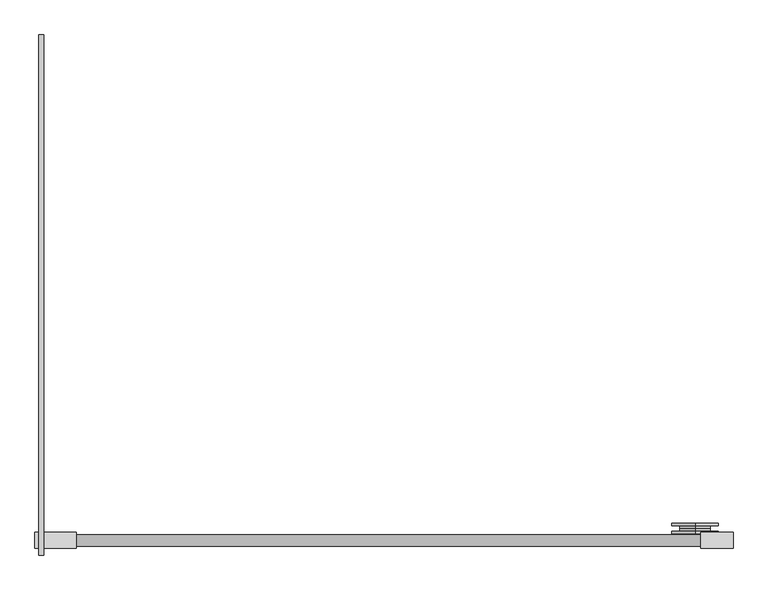
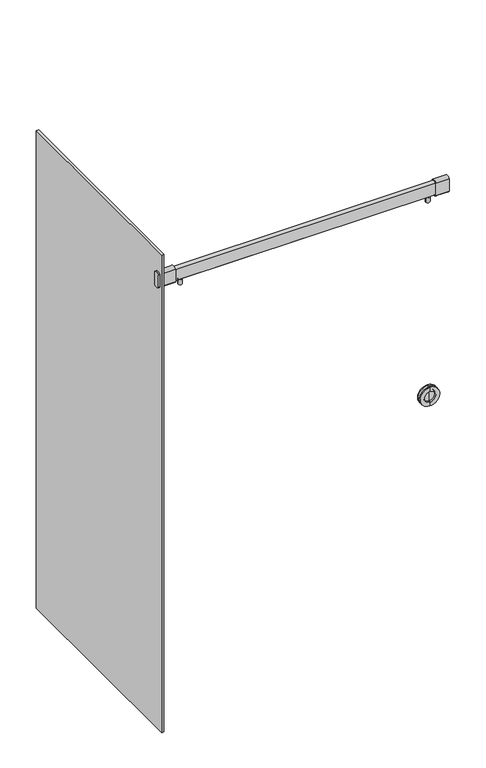
"""IFC4 building model written with IfcOpenShell, lengths in millimetres: proxy geometry."""

from ifc_helpers import new_model, si_unit, point, frame, frame_2d, origin, place, context, project, spatial, polyline, circle_curve, trimmed, segment, composite_curve, outline, extrude, source, transform, mapped, element, save
from ifc_brep_helpers import plane_surface, cylinder_surface, revolved_surface, advanced_brep


def specialty_equipment_f92b6de0(model_context):
    return source(origin(), model_context, "Body", "SolidModel", [
        advanced_brep(
        [(538.1625, 33.8125, 1117.6), (538.1625, 33.8125, 1035.05), (538.1625, 29.05, 1035.05), (538.1625, 29.05, 1117.6), (538.1625, 33.8125, 1103.3125), (538.1625, 33.8125, 1049.3375), (538.1625, 38.575, 1103.3125), (538.1625, 38.575, 1049.3375), (538.1625, 38.575, 1076.325), (538.1625, 37.78125, 1100.1375), (538.1625, 37.78125, 1052.5125), (538.1625, 37.78125, 1076.325), (538.1625, 29.05, 1100.1375), (538.1625, 29.05, 1052.5125)],
        [
            (0, 1, circle_curve(frame((538.1625, 33.8125, 1076.325), z_axis=(0.0, -1.0, 0.0), x_axis=(0.0, 0.0, -1.0)), 41.275)),
            (1, 2),
            (2, 3, circle_curve(frame((538.1625, 29.05, 1076.325), z_axis=(0.0, 1.0, 0.0), x_axis=(0.0, 0.0, -1.0)), 41.275)),
            (3, 0),
            (1, 0, circle_curve(frame((538.1625, 33.8125, 1076.325), z_axis=(0.0, -1.0, 0.0), x_axis=(0.0, 0.0, -1.0)), 41.275)),
            (3, 2, circle_curve(frame((538.1625, 29.05, 1076.325), z_axis=(0.0, 1.0, 0.0), x_axis=(0.0, 0.0, -1.0)), 41.275)),
            (4, 5, circle_curve(frame((538.1625, 33.8125, 1076.325), z_axis=(0.0, -1.0, 0.0), x_axis=(0.0, 0.0, -1.0)), 26.9875)),
            (5, 1),
            (0, 4),
            (5, 4, circle_curve(frame((538.1625, 33.8125, 1076.325), z_axis=(0.0, -1.0, 0.0), x_axis=(0.0, 0.0, -1.0)), 26.9875)),
            (6, 7, circle_curve(frame((538.1625, 38.575, 1076.325), z_axis=(0.0, -1.0, 0.0), x_axis=(0.0, 0.0, -1.0)), 26.9875)),
            (7, 5),
            (4, 6),
            (7, 6, circle_curve(frame((538.1625, 38.575, 1076.325), z_axis=(0.0, -1.0, 0.0), x_axis=(0.0, 0.0, -1.0)), 26.9875)),
            (8, 7),
            (6, 8),
            (9, 10, circle_curve(frame((538.1625, 37.78125, 1076.325), z_axis=(0.0, -1.0, 0.0), x_axis=(0.0, 0.0, -1.0)), 23.8125)),
            (10, 11),
            (11, 9),
            (10, 9, circle_curve(frame((538.1625, 37.78125, 1076.325), z_axis=(0.0, -1.0, 0.0), x_axis=(0.0, 0.0, -1.0)), 23.8125)),
            (12, 13, circle_curve(frame((538.1625, 29.05, 1076.325), z_axis=(0.0, -1.0, 0.0), x_axis=(0.0, 0.0, -1.0)), 23.8125)),
            (13, 10),
            (9, 12),
            (13, 12, circle_curve(frame((538.1625, 29.05, 1076.325), z_axis=(0.0, -1.0, 0.0), x_axis=(0.0, 0.0, -1.0)), 23.8125)),
            (2, 13),
            (12, 3),
        ],
        [
            cylinder_surface(frame((538.1625, -13.175, 1076.325), z_axis=(0.0, 1.0, 0.0), x_axis=(0.0, 0.0, -1.0)), 41.275),
            plane_surface(frame((538.1625, 33.8125, 1076.325), z_axis=(0.0, 1.0, 0.0), x_axis=(0.0, 0.0, -1.0))),
            cylinder_surface(frame((538.1625, -13.175, 1076.325), z_axis=(0.0, 1.0, 0.0), x_axis=(0.0, 0.0, -1.0)), 26.9875),
            plane_surface(frame((538.1625, 38.575, 1076.325), z_axis=(0.0, 1.0, 0.0), x_axis=(0.0, 0.0, -1.0))),
            plane_surface(frame((538.1625, 37.78125, 1076.325), z_axis=(0.0, -1.0, 0.0), x_axis=(0.0, 0.0, -1.0))),
            revolved_surface(polyline([(538.1625, 37.78125, 1052.5125), (538.1625, 29.05, 1052.5125)]), (538.1625, -13.175, 1076.325), (0.0, 1.0, 0.0)),
            plane_surface(frame((538.1625, 29.05, 1076.325), z_axis=(0.0, -1.0, 0.0), x_axis=(0.0, 0.0, -1.0))),
        ],
        [
            (0, [[1, 2, 3, 4]]),
            (0, [[5, -4, 6, -2]]),
            (1, [[7, 8, -1, 9]]),
            (1, [[10, -9, -5, -8]]),
            (2, [[11, 12, -7, 13]]),
            (2, [[14, -13, -10, -12]]),
            (3, [[15, -11, 16]]),
            (3, [[-16, -14, -15]]),
            (4, [[17, 18, 19]]),
            (4, [[20, -19, -18]]),
            (5, [[21, 22, -17, 23]]),
            (5, [[24, -23, -20, -22]]),
            (6, [[-3, 25, -21, 26]]),
            (6, [[-6, -26, -24, -25]]),
        ],
    ),
        advanced_brep(
        [(538.1625, 48.1, 1100.1375), (538.1625, 48.1, 1052.5125), (538.1625, 48.1, 1035.05), (538.1625, 48.1, 1117.6), (538.1625, 39.36875, 1100.1375), (538.1625, 39.36875, 1052.5125), (538.1625, 39.36875, 1076.325), (538.1625, 38.575, 1103.3125), (538.1625, 38.575, 1049.3375), (538.1625, 38.575, 1076.325), (538.1625, 43.3375, 1103.3125), (538.1625, 43.3375, 1049.3375), (538.1625, 43.3375, 1117.6), (538.1625, 43.3375, 1035.05)],
        [
            (0, 1, circle_curve(frame((538.1625, 48.1, 1076.325), z_axis=(0.0, -1.0, 0.0), x_axis=(0.0, 0.0, -1.0)), 23.8125)),
            (1, 2),
            (2, 3, circle_curve(frame((538.1625, 48.1, 1076.325), z_axis=(0.0, 1.0, 0.0), x_axis=(0.0, 0.0, -1.0)), 41.275)),
            (3, 0),
            (1, 0, circle_curve(frame((538.1625, 48.1, 1076.325), z_axis=(0.0, -1.0, 0.0), x_axis=(0.0, 0.0, -1.0)), 23.8125)),
            (3, 2, circle_curve(frame((538.1625, 48.1, 1076.325), z_axis=(0.0, 1.0, 0.0), x_axis=(0.0, 0.0, -1.0)), 41.275)),
            (4, 5, circle_curve(frame((538.1625, 39.36875, 1076.325), z_axis=(0.0, -1.0, 0.0), x_axis=(0.0, 0.0, -1.0)), 23.8125)),
            (5, 1),
            (0, 4),
            (5, 4, circle_curve(frame((538.1625, 39.36875, 1076.325), z_axis=(0.0, -1.0, 0.0), x_axis=(0.0, 0.0, -1.0)), 23.8125)),
            (6, 5),
            (4, 6),
            (7, 8, circle_curve(frame((538.1625, 38.575, 1076.325), z_axis=(0.0, -1.0, 0.0), x_axis=(0.0, 0.0, -1.0)), 26.9875)),
            (8, 9),
            (9, 7),
            (8, 7, circle_curve(frame((538.1625, 38.575, 1076.325), z_axis=(0.0, -1.0, 0.0), x_axis=(0.0, 0.0, -1.0)), 26.9875)),
            (10, 11, circle_curve(frame((538.1625, 43.3375, 1076.325), z_axis=(0.0, -1.0, 0.0), x_axis=(0.0, 0.0, -1.0)), 26.9875)),
            (11, 8),
            (7, 10),
            (11, 10, circle_curve(frame((538.1625, 43.3375, 1076.325), z_axis=(0.0, -1.0, 0.0), x_axis=(0.0, 0.0, -1.0)), 26.9875)),
            (12, 13, circle_curve(frame((538.1625, 43.3375, 1076.325), z_axis=(0.0, -1.0, 0.0), x_axis=(0.0, 0.0, -1.0)), 41.275)),
            (13, 11),
            (10, 12),
            (13, 12, circle_curve(frame((538.1625, 43.3375, 1076.325), z_axis=(0.0, -1.0, 0.0), x_axis=(0.0, 0.0, -1.0)), 41.275)),
            (2, 13),
            (12, 3),
        ],
        [
            plane_surface(frame((538.1625, 48.1, 1076.325), z_axis=(0.0, 1.0, 0.0), x_axis=(0.0, 0.0, -1.0))),
            revolved_surface(polyline([(538.1625, 48.1, 1052.5125), (538.1625, 39.36875, 1052.5125)]), (538.1625, 5.875, 1076.325), (0.0, 1.0, 0.0)),
            plane_surface(frame((538.1625, 39.36875, 1076.325), z_axis=(0.0, 1.0, 0.0), x_axis=(0.0, 0.0, -1.0))),
            plane_surface(frame((538.1625, 38.575, 1076.325), z_axis=(0.0, -1.0, 0.0), x_axis=(0.0, 0.0, -1.0))),
            cylinder_surface(frame((538.1625, 5.875, 1076.325), z_axis=(0.0, 1.0, 0.0), x_axis=(0.0, 0.0, -1.0)), 26.9875),
            plane_surface(frame((538.1625, 43.3375, 1076.325), z_axis=(0.0, -1.0, 0.0), x_axis=(0.0, 0.0, -1.0))),
            cylinder_surface(frame((538.1625, 5.875, 1076.325), z_axis=(0.0, 1.0, 0.0), x_axis=(0.0, 0.0, -1.0)), 41.275),
        ],
        [
            (0, [[1, 2, 3, 4]]),
            (0, [[5, -4, 6, -2]]),
            (1, [[7, 8, -1, 9]]),
            (1, [[10, -9, -5, -8]]),
            (2, [[11, -7, 12]]),
            (2, [[-12, -10, -11]]),
            (3, [[13, 14, 15]]),
            (3, [[16, -15, -14]]),
            (4, [[17, 18, -13, 19]]),
            (4, [[20, -19, -16, -18]]),
            (5, [[21, 22, -17, 23]]),
            (5, [[24, -23, -20, -22]]),
            (6, [[-3, 25, -21, 26]]),
            (6, [[-6, -26, -24, -25]]),
        ],
    ),
        extrude(outline(composite_curve([segment(trimmed(circle_curve(frame_2d((17.4625, 1994.4776496)), 17.8435), [point((31.496, 1983.4571519))], [point((3.429, 1983.4571519))], False, "CARTESIAN"), True, "CONTINUOUS"), segment(polyline([(3.429, 1983.4571519), (3.429, 2039.0771779)]), True, "CONTINUOUS"), segment(trimmed(circle_curve(frame_2d((17.4625, 2028.0566802)), 17.8435), [point((3.429, 2039.0771779))], [point((31.496, 2039.0771779))], False, "CARTESIAN"), True, "CONTINUOUS"), segment(polyline([(31.496, 2039.0771779), (31.496, 1983.4571519)]), True, "CONTINUOUS")], self_intersect=False)), frame((-620.7125, 0.0, 0.0), z_axis=(1.0, 0.0, 0.0), x_axis=(0.0, 1.0, 0.0)), (0.0, 0.0, 1.0), 6.35),
        extrude(outline(composite_curve([segment(trimmed(circle_curve(frame_2d((-521.7315907, 17.1696557)), 8.9754819), [point((-530.7070726, 17.1696557))], [point((-512.7561089, 17.1696557))], False, "CARTESIAN"), True, "CONTINUOUS"), segment(trimmed(circle_curve(frame_2d((-521.7315907, 17.1696557)), 8.9754819), [point((-512.7561089, 17.1696557))], [point((-530.7070726, 17.1696557))], False, "CARTESIAN"), True, "CONTINUOUS")], self_intersect=False)), frame((0.0, 0.0, 1960.0969845), z_axis=(0.0, 0.0, 1.0), x_axis=(1.0, 0.0, 0.0)), (0.0, 0.0, 1.0), 21.1738233),
        extrude(outline(composite_curve([segment(polyline([(27.78125, 2035.9788834), (27.78125, 1986.5554464)]), True, "CONTINUOUS"), segment(trimmed(circle_curve(frame_2d((17.4625, 1994.1254207)), 12.7976995), [point((27.78125, 1986.5554464))], [point((7.14375, 1986.5554464))], False, "CARTESIAN"), True, "CONTINUOUS"), segment(polyline([(7.14375, 1986.5554464), (7.14375, 2035.9788834)]), True, "CONTINUOUS"), segment(trimmed(circle_curve(frame_2d((17.4625, 2028.408909)), 12.7976995), [point((7.14375, 2035.9788834))], [point((27.78125, 2035.9788834))], False, "CARTESIAN"), True, "CONTINUOUS")], self_intersect=False)), frame((-548.4749, 0.0, 0.0), z_axis=(1.0, 0.0, 0.0), x_axis=(0.0, 1.0, 0.0)), (0.0, 0.0, 1.0), 1096.9498),
        extrude(outline(composite_curve([segment(trimmed(circle_curve(frame_2d((521.7315907, 17.1696557)), 8.9754819), [point((530.7070726, 17.1696557))], [point((512.7561089, 17.1696557))], False, "CARTESIAN"), True, "CONTINUOUS"), segment(trimmed(circle_curve(frame_2d((521.7315907, 17.1696557)), 8.9754819), [point((512.7561089, 17.1696557))], [point((530.7070726, 17.1696557))], False, "CARTESIAN"), True, "CONTINUOUS")], self_intersect=False)), frame((0.0, 0.0, 1960.0969845), z_axis=(0.0, 0.0, 1.0), x_axis=(1.0, 0.0, 0.0)), (0.0, 0.0, 1.0), 21.1738233),
        extrude(outline(composite_curve([segment(trimmed(circle_curve(frame_2d((17.4625, 1994.4776496)), 17.8435), [point((31.496, 1983.4571519))], [point((3.429, 1983.4571519))], False, "CARTESIAN"), True, "CONTINUOUS"), segment(polyline([(3.429, 1983.4571519), (3.429, 2039.0771779)]), True, "CONTINUOUS"), segment(trimmed(circle_curve(frame_2d((17.4625, 2028.0566802)), 17.8435), [point((3.429, 2039.0771779))], [point((31.496, 2039.0771779))], False, "CARTESIAN"), True, "CONTINUOUS"), segment(polyline([(31.496, 2039.0771779), (31.496, 1983.4571519)]), True, "CONTINUOUS")], self_intersect=False)), frame((548.4749, 0.0, 0.0), z_axis=(1.0, 0.0, 0.0), x_axis=(0.0, 1.0, 0.0)), (0.0, 0.0, 1.0), 56.3626),
        extrude(outline(composite_curve([segment(trimmed(circle_curve(frame_2d((17.4625, 1994.4776496)), 17.8435), [point((31.496, 1983.4571519))], [point((3.429, 1983.4571519))], False, "CARTESIAN"), True, "CONTINUOUS"), segment(polyline([(3.429, 1983.4571519), (3.429, 2039.0771779)]), True, "CONTINUOUS"), segment(trimmed(circle_curve(frame_2d((17.4625, 2028.0566802)), 17.8435), [point((3.429, 2039.0771779))], [point((31.496, 2039.0771779))], False, "CARTESIAN"), True, "CONTINUOUS"), segment(polyline([(31.496, 2039.0771779), (31.496, 1983.4571519)]), True, "CONTINUOUS")], self_intersect=False)), frame((-604.8375, 0.0, 0.0), z_axis=(1.0, 0.0, 0.0), x_axis=(0.0, 1.0, 0.0)), (0.0, 0.0, 1.0), 56.3626),
        extrude(outline(polyline([(-604.8375, 904.875), (-604.8375, -8.73125), (-614.3625, -8.73125), (-614.3625, 904.875), (-604.8375, 904.875)])), frame((0.0, 0.0, 6.35), z_axis=(0.0, 0.0, 1.0), x_axis=(1.0, 0.0, 0.0)), (0.0, 0.0, 1.0), 2127.25),
    ])


if __name__ == "__main__":
    model = new_model("IFC4")
    model_context = context("Model", 3, world=origin())
    ifc_project = project(units=[si_unit("LENGTHUNIT", "METRE", prefix="MILLI")], contexts=[model_context])
    site = spatial("IfcSite", under=ifc_project)
    building = spatial("IfcBuilding", under=site)
    placement = place(None, origin())
    specialty_equipment_shape = specialty_equipment_f92b6de0(model_context)
    element("IfcBuildingElementProxy", 1, Name="Specialty Equipment", at=placement, inside=building, context=model_context, shape_type="MappedRepresentation", body=[
        mapped(specialty_equipment_shape, transform((0.0, 0.0, 0.0), x_axis=(1.0, 0.0, 0.0), y_axis=(0.0, 1.0, 0.0), z_axis=(0.0, 0.0, 1.0))),
    ])
    save(model, "model.ifc")
